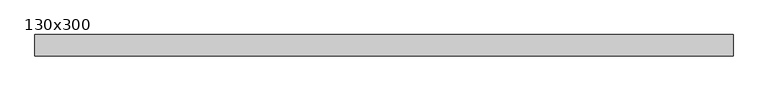
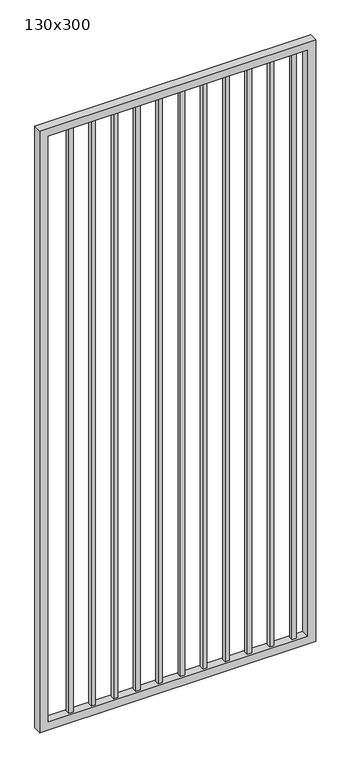
"""IFC4 building model written with IfcOpenShell, lengths in millimetres: proxy geometry, 130x300."""

import ifcopenshell
import ifcopenshell.guid

model = None  # the IFC model being written
_history = None  # IfcOwnerHistory: only IFC2X3 demands one
_inside = {}  # id of a spatial element -> (the spatial element, [elements in it])
_under = {}  # id of a project, library or spatial element -> (it, [spatial elements below it])
_declared = {}  # id of a project -> (the project, [libraries it declares])
_typed = {}  # id of a type object -> (the type object, [elements of that type])
_made_of = {}  # id of a material, layer set ... -> (it, [elements and type objects made of it])


def new_model(schema):
    """Start an empty IFC model of exactly this schema.

    Asked for "IFC4X3", IfcOpenShell would pick the latest addendum, in which some entities
    have other attributes; the version numbers below select the first issue.
    IFC2X3 requires an IfcOwnerHistory on every rooted entity: one is made here for all.
    """
    global model, _history
    if schema == "IFC4X3":
        model = ifcopenshell.file(schema_version=(4, 3, 0, 0))
    else:
        model = ifcopenshell.file(schema=schema)
    _inside.clear()
    _under.clear()
    _declared.clear()
    _typed.clear()
    _made_of.clear()
    _history = None
    if model.schema == "IFC2X3":
        org = make("IfcOrganization", Name="unknown")
        user = make(
            "IfcPersonAndOrganization",
            ThePerson=make("IfcPerson", FamilyName="unknown"),
            TheOrganization=org,
        )
        app = make(
            "IfcApplication",
            ApplicationDeveloper=org,
            Version="unknown",
            ApplicationFullName="unknown",
            ApplicationIdentifier="unknown",
        )
        _history = make(
            "IfcOwnerHistory",
            OwningUser=user,
            OwningApplication=app,
            ChangeAction="ADDED",
            CreationDate=0,
        )
    return model


def make(cls, **values):
    """One entity of the class cls with the attributes given. An attribute that is None is left unset."""
    return model.create_entity(
        cls, **{name: value for name, value in values.items() if value is not None}
    )


def rooted(cls, **values):
    """An entity with a GlobalId (a new one), such as an element, a storey or a relation."""
    return make(cls, GlobalId=ifcopenshell.guid.new(), OwnerHistory=_history, **values)


def si_unit(unit_type, name, prefix=None):
    """IfcSIUnit, for example si_unit("LENGTHUNIT", "METRE", prefix="MILLI")."""
    return make("IfcSIUnit", UnitType=unit_type, Prefix=prefix, Name=name)


def assignment(units):
    """IfcUnitAssignment: the units of a project."""
    return None if units is None else make("IfcUnitAssignment", Units=units)


def point(xyz):
    """IfcCartesianPoint."""
    return None if xyz is None else make("IfcCartesianPoint", Coordinates=xyz)


def direction(xyz):
    """IfcDirection."""
    return None if xyz is None else make("IfcDirection", DirectionRatios=xyz)


def frame(location, z_axis=None, x_axis=None):
    """IfcAxis2Placement3D, a coordinate frame: its origin and axes. An axis left out is left unset."""
    return make(
        "IfcAxis2Placement3D",
        Location=point(location),
        Axis=direction(z_axis),
        RefDirection=direction(x_axis),
    )


def origin():
    """The frame at (0, 0, 0) with its axes left unset."""
    return frame((0.0, 0.0, 0.0))


def place(relative_to, where):
    """IfcLocalPlacement: puts the frame where relative to a parent placement (None: the world)."""
    return make(
        "IfcLocalPlacement", PlacementRelTo=relative_to, RelativePlacement=where
    )


def context(
    kind, dimensions, precision=None, world=None, true_north=None, identifier=None
):
    """IfcGeometricRepresentationContext, for example the 3D "Model" context."""
    return make(
        "IfcGeometricRepresentationContext",
        ContextIdentifier=identifier,
        ContextType=kind,
        CoordinateSpaceDimension=dimensions,
        Precision=precision,
        WorldCoordinateSystem=world,
        TrueNorth=true_north,
    )


def project(units=None, contexts=None):
    """IfcProject with its units and contexts."""
    return rooted(
        "IfcProject",
        Name="project",
        RepresentationContexts=contexts,
        UnitsInContext=assignment(units),
    )


def spatial(cls, under=None, at=None, **own):
    """A site, building, storey or space (cls), placed at a placement, below another one or the project."""
    s = rooted(cls, ObjectPlacement=at, **own)
    if under is not None:
        _under.setdefault(under.id(), (under, []))[1].append(s)
    return s


def polyline(points):
    """IfcPolyline through the points."""
    return make("IfcPolyline", Points=[point(p) for p in points])


def outline(outer, holes=None, kind="AREA"):
    """IfcArbitraryClosedProfileDef: a profile drawn as a closed curve; with holes, ...WithVoids."""
    if holes is None:
        return make("IfcArbitraryClosedProfileDef", ProfileType=kind, OuterCurve=outer)
    return make(
        "IfcArbitraryProfileDefWithVoids",
        ProfileType=kind,
        OuterCurve=outer,
        InnerCurves=holes,
    )


def extrude(swept, where, along, depth):
    """IfcExtrudedAreaSolid: the profile swept, set in the frame where, extruded along a direction by depth."""
    return make(
        "IfcExtrudedAreaSolid",
        SweptArea=swept,
        Position=where,
        ExtrudedDirection=direction(along),
        Depth=depth,
    )


def shape(context_of_items, identifier, shape_type, items):
    """IfcShapeRepresentation: the items that make up one representation, for example the "Body"."""
    return make(
        "IfcShapeRepresentation",
        ContextOfItems=context_of_items,
        RepresentationIdentifier=identifier,
        RepresentationType=shape_type,
        Items=items,
    )


def source(mapping_origin, context_of_items, identifier, shape_type, items):
    """IfcRepresentationMap: a shape defined once, which mapped items show again and again."""
    return make(
        "IfcRepresentationMap",
        MappingOrigin=mapping_origin,
        MappedRepresentation=shape(context_of_items, identifier, shape_type, items),
    )


def transform(
    local_origin,
    x_axis=None,
    y_axis=None,
    z_axis=None,
    scale=None,
    scale2=None,
    scale3=None,
    uniform=True,
):
    """IfcCartesianTransformationOperator3D, or its non-uniform kind. x_axis, y_axis, z_axis: its Axis1, 2, 3."""
    if uniform:
        return make(
            "IfcCartesianTransformationOperator3D",
            Axis1=direction(x_axis),
            Axis2=direction(y_axis),
            LocalOrigin=point(local_origin),
            Scale=scale,
            Axis3=direction(z_axis),
        )
    return make(
        "IfcCartesianTransformationOperator3DnonUniform",
        Axis1=direction(x_axis),
        Axis2=direction(y_axis),
        LocalOrigin=point(local_origin),
        Scale=scale,
        Axis3=direction(z_axis),
        Scale2=scale2,
        Scale3=scale3,
    )


def mapped(mapping_source, mapping_target):
    """IfcMappedItem: shows the shape of a source again, moved by a transform."""
    return make(
        "IfcMappedItem", MappingSource=mapping_source, MappingTarget=mapping_target
    )


def made_of(thing, what):
    """Note that an element or type object is made of a material, layer set ...; save() writes the relation."""
    if what is not None:
        _made_of.setdefault(what.id(), (what, []))[1].append(thing)
    return thing


def element(
    cls,
    number,
    at=None,
    inside=None,
    cuts=None,
    type_object=None,
    material=None,
    context=None,
    identifier="Body",
    shape_type=None,
    held_by="IfcProductDefinitionShape",
    body=None,
    shapes=None,
    **own,
):
    """One element of the class cls, such as IfcWall. Its Tag is "e" and its number.

    at: its placement. inside: the storey or other place that contains it. cuts: it is an
    opening in that element (IfcRelVoidsElement). A single representation is given by context,
    identifier, shape_type and body (its items); several are given by shapes. held_by: the class
    of the entity that holds the representations. save() writes the other relations.
    """
    e = rooted(cls, Tag="e%d" % number, ObjectPlacement=at, **own)
    if body is not None:
        shapes = [shape(context, identifier, shape_type, body)]
    if shapes is not None:
        e.Representation = make(held_by, Representations=shapes)
    if inside is not None:
        _inside.setdefault(inside.id(), (inside, []))[1].append(e)
    if cuts is not None:
        rooted(
            "IfcRelVoidsElement", RelatingBuildingElement=cuts, RelatedOpeningElement=e
        )
    if type_object is not None:
        _typed.setdefault(type_object.id(), (type_object, []))[1].append(e)
    return made_of(e, material)


def aggregate(whole, parts):
    """IfcRelAggregates: a whole, such as a stair, and the parts it consists of."""
    return rooted("IfcRelAggregates", RelatingObject=whole, RelatedObjects=parts)


def save(model, path):
    """Write the relations noted so far, then the file.

    IfcRelAggregates (storeys below a building ...), IfcRelContainedInSpatialStructure (elements
    in a storey), IfcRelDefinesByType, IfcRelAssociatesMaterial and IfcRelDeclares: one each for
    every whole, place, type object, material and project.
    """
    for whole, parts in _under.values():
        aggregate(whole, parts)
    for where, things in _inside.values():
        rooted(
            "IfcRelContainedInSpatialStructure",
            RelatedElements=things,
            RelatingStructure=where,
        )
    for kind, things in _typed.values():
        rooted("IfcRelDefinesByType", RelatedObjects=things, RelatingType=kind)
    for what, things in _made_of.values():
        rooted("IfcRelAssociatesMaterial", RelatedObjects=things, RelatingMaterial=what)
    for by, libraries in _declared.values():
        rooted("IfcRelDeclares", RelatingContext=by, RelatedDefinitions=libraries)
    model.write(path)


def proxy_130x300_9dd48808(model_context):
    return source(origin(), model_context, "Body", "SweptSolid", [
        extrude(outline(polyline([(1203.325, -9.525), (1184.275, -9.525), (1184.275, 9.525), (1203.325, 9.525), (1203.325, -9.525)])), frame((0.0, 0.0, 139.7), z_axis=(0.0, 0.0, 1.0), x_axis=(1.0, 0.0, 0.0)), (0.0, 0.0, 1.0), 2830.0),
        extrude(outline(polyline([(1101.725, -9.525), (1082.675, -9.525), (1082.675, 9.525), (1101.725, 9.525), (1101.725, -9.525)])), frame((0.0, 0.0, 139.7), z_axis=(0.0, 0.0, 1.0), x_axis=(1.0, 0.0, 0.0)), (0.0, 0.0, 1.0), 2830.0),
        extrude(outline(polyline([(1000.125, -9.525), (981.075, -9.525), (981.075, 9.525), (1000.125, 9.525), (1000.125, -9.525)])), frame((0.0, 0.0, 139.7), z_axis=(0.0, 0.0, 1.0), x_axis=(1.0, 0.0, 0.0)), (0.0, 0.0, 1.0), 2830.0),
        extrude(outline(polyline([(898.525, -9.525), (879.475, -9.525), (879.475, 9.525), (898.525, 9.525), (898.525, -9.525)])), frame((0.0, 0.0, 139.7), z_axis=(0.0, 0.0, 1.0), x_axis=(1.0, 0.0, 0.0)), (0.0, 0.0, 1.0), 2830.0),
        extrude(outline(polyline([(796.925, -9.525), (777.875, -9.525), (777.875, 9.525), (796.925, 9.525), (796.925, -9.525)])), frame((0.0, 0.0, 139.7), z_axis=(0.0, 0.0, 1.0), x_axis=(1.0, 0.0, 0.0)), (0.0, 0.0, 1.0), 2830.0),
        extrude(outline(polyline([(695.325, -9.525), (676.275, -9.525), (676.275, 9.525), (695.325, 9.525), (695.325, -9.525)])), frame((0.0, 0.0, 139.7), z_axis=(0.0, 0.0, 1.0), x_axis=(1.0, 0.0, 0.0)), (0.0, 0.0, 1.0), 2830.0),
        extrude(outline(polyline([(593.725, -9.525), (574.675, -9.525), (574.675, 9.525), (593.725, 9.525), (593.725, -9.525)])), frame((0.0, 0.0, 139.7), z_axis=(0.0, 0.0, 1.0), x_axis=(1.0, 0.0, 0.0)), (0.0, 0.0, 1.0), 2830.0),
        extrude(outline(polyline([(492.125, -9.525), (473.075, -9.525), (473.075, 9.525), (492.125, 9.525), (492.125, -9.525)])), frame((0.0, 0.0, 139.7), z_axis=(0.0, 0.0, 1.0), x_axis=(1.0, 0.0, 0.0)), (0.0, 0.0, 1.0), 2830.0),
        extrude(outline(polyline([(390.525, -9.525), (371.475, -9.525), (371.475, 9.525), (390.525, 9.525), (390.525, -9.525)])), frame((0.0, 0.0, 139.7), z_axis=(0.0, 0.0, 1.0), x_axis=(1.0, 0.0, 0.0)), (0.0, 0.0, 1.0), 2830.0),
        extrude(outline(polyline([(288.925, -9.525), (269.875, -9.525), (269.875, 9.525), (288.925, 9.525), (288.925, -9.525)])), frame((0.0, 0.0, 139.7), z_axis=(0.0, 0.0, 1.0), x_axis=(1.0, 0.0, 0.0)), (0.0, 0.0, 1.0), 2830.0),
        extrude(outline(polyline([(187.325, -9.525), (168.275, -9.525), (168.275, 9.525), (187.325, 9.525), (187.325, -9.525)])), frame((0.0, 0.0, 139.7), z_axis=(0.0, 0.0, 1.0), x_axis=(1.0, 0.0, 0.0)), (0.0, 0.0, 1.0), 2830.0),
        extrude(outline(polyline([(3000.0, 1287.3), (3000.0, 30.0), (101.6, 30.0), (101.6, 1287.3), (3000.0, 1287.3)]), holes=[polyline([(139.7, 1249.2), (139.7, 68.1), (2961.9, 68.1), (2961.9, 1249.2), (139.7, 1249.2)])]), frame((0.0, -19.05, 0.0), z_axis=(0.0, 1.0, 0.0), x_axis=(0.0, 0.0, 1.0)), (0.0, 0.0, 1.0), 38.1),
    ])


if __name__ == "__main__":
    model = new_model("IFC4")
    model_context = context("Model", 3, world=origin())
    ifc_project = project(units=[si_unit("LENGTHUNIT", "METRE", prefix="MILLI")], contexts=[model_context])
    site = spatial("IfcSite", under=ifc_project)
    building = spatial("IfcBuilding", under=site)
    placement = place(None, origin())
    proxy_130x300_shape = proxy_130x300_9dd48808(model_context)
    element("IfcBuildingElementProxy", 1, Name="130x300", ObjectType="130x300", at=placement, inside=building, context=model_context, shape_type="MappedRepresentation", body=[
        mapped(proxy_130x300_shape, transform((0.0, 0.0, 0.0), x_axis=(1.0, 0.0, 0.0), y_axis=(0.0, 1.0, 0.0), z_axis=(0.0, 0.0, 1.0))),
    ])
    save(model, "model.ifc")
